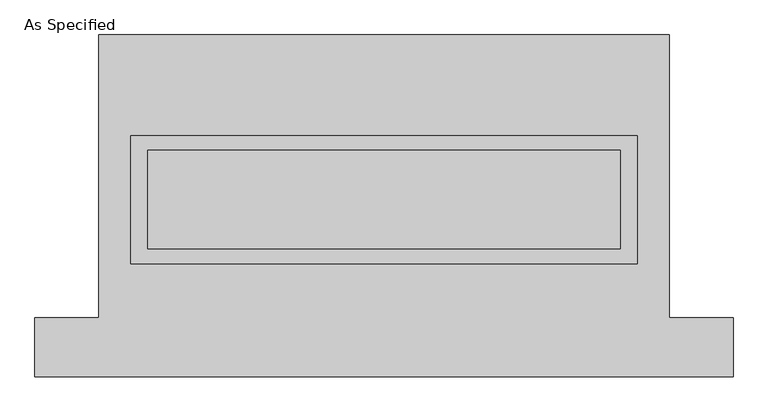
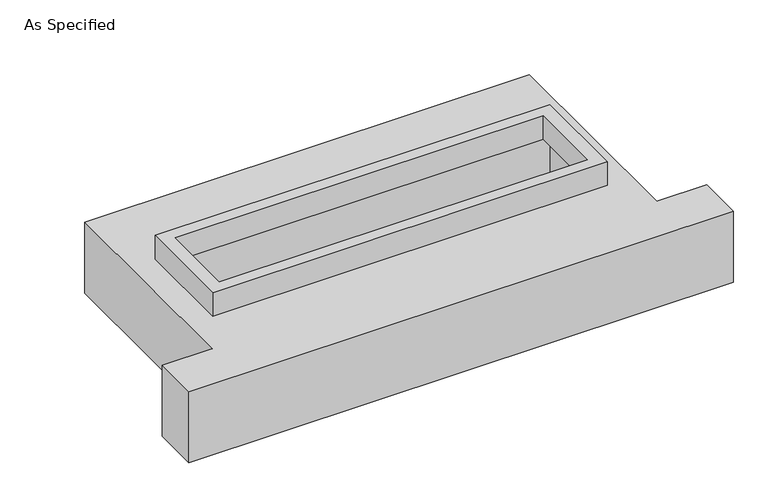
"""IFC4 building model written with IfcOpenShell, lengths in millimetres: proxy geometry, As Specified."""

import ifcopenshell
import ifcopenshell.guid

model = None  # the IFC model being written
_history = None  # IfcOwnerHistory: only IFC2X3 demands one
_inside = {}  # id of a spatial element -> (the spatial element, [elements in it])
_under = {}  # id of a project, library or spatial element -> (it, [spatial elements below it])
_declared = {}  # id of a project -> (the project, [libraries it declares])
_typed = {}  # id of a type object -> (the type object, [elements of that type])
_made_of = {}  # id of a material, layer set ... -> (it, [elements and type objects made of it])


def new_model(schema):
    """Start an empty IFC model of exactly this schema.

    Asked for "IFC4X3", IfcOpenShell would pick the latest addendum, in which some entities
    have other attributes; the version numbers below select the first issue.
    IFC2X3 requires an IfcOwnerHistory on every rooted entity: one is made here for all.
    """
    global model, _history
    if schema == "IFC4X3":
        model = ifcopenshell.file(schema_version=(4, 3, 0, 0))
    else:
        model = ifcopenshell.file(schema=schema)
    _inside.clear()
    _under.clear()
    _declared.clear()
    _typed.clear()
    _made_of.clear()
    _history = None
    if model.schema == "IFC2X3":
        org = make("IfcOrganization", Name="unknown")
        user = make(
            "IfcPersonAndOrganization",
            ThePerson=make("IfcPerson", FamilyName="unknown"),
            TheOrganization=org,
        )
        app = make(
            "IfcApplication",
            ApplicationDeveloper=org,
            Version="unknown",
            ApplicationFullName="unknown",
            ApplicationIdentifier="unknown",
        )
        _history = make(
            "IfcOwnerHistory",
            OwningUser=user,
            OwningApplication=app,
            ChangeAction="ADDED",
            CreationDate=0,
        )
    return model


def make(cls, **values):
    """One entity of the class cls with the attributes given. An attribute that is None is left unset."""
    return model.create_entity(
        cls, **{name: value for name, value in values.items() if value is not None}
    )


def rooted(cls, **values):
    """An entity with a GlobalId (a new one), such as an element, a storey or a relation."""
    return make(cls, GlobalId=ifcopenshell.guid.new(), OwnerHistory=_history, **values)


def si_unit(unit_type, name, prefix=None):
    """IfcSIUnit, for example si_unit("LENGTHUNIT", "METRE", prefix="MILLI")."""
    return make("IfcSIUnit", UnitType=unit_type, Prefix=prefix, Name=name)


def assignment(units):
    """IfcUnitAssignment: the units of a project."""
    return None if units is None else make("IfcUnitAssignment", Units=units)


def point(xyz):
    """IfcCartesianPoint."""
    return None if xyz is None else make("IfcCartesianPoint", Coordinates=xyz)


def direction(xyz):
    """IfcDirection."""
    return None if xyz is None else make("IfcDirection", DirectionRatios=xyz)


def frame(location, z_axis=None, x_axis=None):
    """IfcAxis2Placement3D, a coordinate frame: its origin and axes. An axis left out is left unset."""
    return make(
        "IfcAxis2Placement3D",
        Location=point(location),
        Axis=direction(z_axis),
        RefDirection=direction(x_axis),
    )


def origin():
    """The frame at (0, 0, 0) with its axes left unset."""
    return frame((0.0, 0.0, 0.0))


def place(relative_to, where):
    """IfcLocalPlacement: puts the frame where relative to a parent placement (None: the world)."""
    return make(
        "IfcLocalPlacement", PlacementRelTo=relative_to, RelativePlacement=where
    )


def context(
    kind, dimensions, precision=None, world=None, true_north=None, identifier=None
):
    """IfcGeometricRepresentationContext, for example the 3D "Model" context."""
    return make(
        "IfcGeometricRepresentationContext",
        ContextIdentifier=identifier,
        ContextType=kind,
        CoordinateSpaceDimension=dimensions,
        Precision=precision,
        WorldCoordinateSystem=world,
        TrueNorth=true_north,
    )


def project(units=None, contexts=None):
    """IfcProject with its units and contexts."""
    return rooted(
        "IfcProject",
        Name="project",
        RepresentationContexts=contexts,
        UnitsInContext=assignment(units),
    )


def spatial(cls, under=None, at=None, **own):
    """A site, building, storey or space (cls), placed at a placement, below another one or the project."""
    s = rooted(cls, ObjectPlacement=at, **own)
    if under is not None:
        _under.setdefault(under.id(), (under, []))[1].append(s)
    return s


def polyline(points):
    """IfcPolyline through the points."""
    return make("IfcPolyline", Points=[point(p) for p in points])


def outline(outer, holes=None, kind="AREA"):
    """IfcArbitraryClosedProfileDef: a profile drawn as a closed curve; with holes, ...WithVoids."""
    if holes is None:
        return make("IfcArbitraryClosedProfileDef", ProfileType=kind, OuterCurve=outer)
    return make(
        "IfcArbitraryProfileDefWithVoids",
        ProfileType=kind,
        OuterCurve=outer,
        InnerCurves=holes,
    )


def extrude(swept, where, along, depth):
    """IfcExtrudedAreaSolid: the profile swept, set in the frame where, extruded along a direction by depth."""
    return make(
        "IfcExtrudedAreaSolid",
        SweptArea=swept,
        Position=where,
        ExtrudedDirection=direction(along),
        Depth=depth,
    )


def faces_of(points, faces, orient=None, outer=None):
    """IfcFace entities. A face is a list of loops; a loop is a list of indices into points, from 0.

    orient and outer hold one flag for each loop. By default every Orientation is true, the
    first loop of a face is its IfcFaceOuterBound and the others are IfcFaceBound.
    """
    made = []
    for i, loops in enumerate(faces):
        bounds = []
        for j, loop in enumerate(loops):
            is_outer = j == 0 if outer is None else outer[i][j]
            bounds.append(
                make(
                    "IfcFaceOuterBound" if is_outer else "IfcFaceBound",
                    Bound=make("IfcPolyLoop", Polygon=[points[k] for k in loop]),
                    Orientation=True if orient is None else orient[i][j],
                )
            )
        made.append(make("IfcFace", Bounds=bounds))
    return made


def faceted_brep(points, faces, orient=None, outer=None, voids=None):
    """IfcFacetedBrep: a solid bounded by flat faces; with voids (closed shells), ...WithVoids."""
    shared = [point(p) for p in points]
    hull = make("IfcClosedShell", CfsFaces=faces_of(shared, faces, orient, outer))
    if voids is None:
        return make("IfcFacetedBrep", Outer=hull)
    return make(
        "IfcFacetedBrepWithVoids",
        Outer=hull,
        Voids=[
            make(cls, CfsFaces=faces_of(shared, fs, o, b)) for cls, fs, o, b in voids
        ],
    )


def shape(context_of_items, identifier, shape_type, items):
    """IfcShapeRepresentation: the items that make up one representation, for example the "Body"."""
    return make(
        "IfcShapeRepresentation",
        ContextOfItems=context_of_items,
        RepresentationIdentifier=identifier,
        RepresentationType=shape_type,
        Items=items,
    )


def source(mapping_origin, context_of_items, identifier, shape_type, items):
    """IfcRepresentationMap: a shape defined once, which mapped items show again and again."""
    return make(
        "IfcRepresentationMap",
        MappingOrigin=mapping_origin,
        MappedRepresentation=shape(context_of_items, identifier, shape_type, items),
    )


def transform(
    local_origin,
    x_axis=None,
    y_axis=None,
    z_axis=None,
    scale=None,
    scale2=None,
    scale3=None,
    uniform=True,
):
    """IfcCartesianTransformationOperator3D, or its non-uniform kind. x_axis, y_axis, z_axis: its Axis1, 2, 3."""
    if uniform:
        return make(
            "IfcCartesianTransformationOperator3D",
            Axis1=direction(x_axis),
            Axis2=direction(y_axis),
            LocalOrigin=point(local_origin),
            Scale=scale,
            Axis3=direction(z_axis),
        )
    return make(
        "IfcCartesianTransformationOperator3DnonUniform",
        Axis1=direction(x_axis),
        Axis2=direction(y_axis),
        LocalOrigin=point(local_origin),
        Scale=scale,
        Axis3=direction(z_axis),
        Scale2=scale2,
        Scale3=scale3,
    )


def mapped(mapping_source, mapping_target):
    """IfcMappedItem: shows the shape of a source again, moved by a transform."""
    return make(
        "IfcMappedItem", MappingSource=mapping_source, MappingTarget=mapping_target
    )


def made_of(thing, what):
    """Note that an element or type object is made of a material, layer set ...; save() writes the relation."""
    if what is not None:
        _made_of.setdefault(what.id(), (what, []))[1].append(thing)
    return thing


def element(
    cls,
    number,
    at=None,
    inside=None,
    cuts=None,
    type_object=None,
    material=None,
    context=None,
    identifier="Body",
    shape_type=None,
    held_by="IfcProductDefinitionShape",
    body=None,
    shapes=None,
    **own,
):
    """One element of the class cls, such as IfcWall. Its Tag is "e" and its number.

    at: its placement. inside: the storey or other place that contains it. cuts: it is an
    opening in that element (IfcRelVoidsElement). A single representation is given by context,
    identifier, shape_type and body (its items); several are given by shapes. held_by: the class
    of the entity that holds the representations. save() writes the other relations.
    """
    e = rooted(cls, Tag="e%d" % number, ObjectPlacement=at, **own)
    if body is not None:
        shapes = [shape(context, identifier, shape_type, body)]
    if shapes is not None:
        e.Representation = make(held_by, Representations=shapes)
    if inside is not None:
        _inside.setdefault(inside.id(), (inside, []))[1].append(e)
    if cuts is not None:
        rooted(
            "IfcRelVoidsElement", RelatingBuildingElement=cuts, RelatedOpeningElement=e
        )
    if type_object is not None:
        _typed.setdefault(type_object.id(), (type_object, []))[1].append(e)
    return made_of(e, material)


def aggregate(whole, parts):
    """IfcRelAggregates: a whole, such as a stair, and the parts it consists of."""
    return rooted("IfcRelAggregates", RelatingObject=whole, RelatedObjects=parts)


def save(model, path):
    """Write the relations noted so far, then the file.

    IfcRelAggregates (storeys below a building ...), IfcRelContainedInSpatialStructure (elements
    in a storey), IfcRelDefinesByType, IfcRelAssociatesMaterial and IfcRelDeclares: one each for
    every whole, place, type object, material and project.
    """
    for whole, parts in _under.values():
        aggregate(whole, parts)
    for where, things in _inside.values():
        rooted(
            "IfcRelContainedInSpatialStructure",
            RelatedElements=things,
            RelatingStructure=where,
        )
    for kind, things in _typed.values():
        rooted("IfcRelDefinesByType", RelatedObjects=things, RelatingType=kind)
    for what, things in _made_of.values():
        rooted("IfcRelAssociatesMaterial", RelatedObjects=things, RelatingMaterial=what)
    for by, libraries in _declared.values():
        rooted("IfcRelDeclares", RelatingContext=by, RelatedDefinitions=libraries)
    model.write(path)


def as_specified_0ed8ef95(model_context):
    return source(origin(), model_context, "Body", "SolidModel", [
        extrude(outline(polyline([(1308.1, 361.95), (1308.1, -298.45), (-1308.1, -298.45), (-1308.1, 361.95), (1308.1, 361.95)]), holes=[polyline([(1219.2, 285.75), (-1219.2, 285.75), (-1219.2, -222.25), (1219.2, -222.25), (1219.2, 285.75)])]), frame((0.0, 0.0, -25.4), z_axis=(0.0, 0.0, 1.0), x_axis=(1.0, 0.0, 0.0)), (0.0, 0.0, 1.0), 165.1),
        faceted_brep([(-1473.2, 882.65, -523.875), (1473.2, 882.65, -523.875), (1473.2, -577.85, -523.875), (1803.4, -577.85, -523.875), (1803.4, -882.65, -523.875), (-1803.4, -882.65, -523.875), (-1803.4, -577.85, -523.875), (-1473.2, -577.85, -523.875), (1473.2, 882.65, -25.4), (-1473.2, 882.65, -25.4), (-1473.2, -577.85, -25.4), (-1803.4, -577.85, -25.4), (-1803.4, -882.65, -25.4), (1803.4, -882.65, -25.4), (1803.4, -577.85, -25.4), (1473.2, -577.85, -25.4), (-1308.1, -298.45, -25.4), (-1308.1, 361.95, -25.4), (1308.1, 361.95, -25.4), (1308.1, -298.45, -25.4), (1308.1, 361.95, -498.475), (-1308.1, 361.95, -498.475), (-1308.1, -298.45, -498.475), (1308.1, -298.45, -498.475)], [[[0, 1, 2, 3, 4, 5, 6, 7]], [[8, 9, 10, 11, 12, 13, 14, 15], [16, 17, 18, 19]], [[1, 0, 9, 8]], [[9, 0, 7, 10]], [[1, 8, 15, 2]], [[20, 21, 22, 23]], [[22, 21, 17, 16]], [[21, 20, 18, 17]], [[20, 23, 19, 18]], [[23, 22, 16, 19]], [[5, 4, 13, 12]], [[3, 2, 15, 14]], [[4, 3, 14, 13]], [[7, 6, 11, 10]], [[6, 5, 12, 11]]]),
    ])


if __name__ == "__main__":
    model = new_model("IFC4")
    model_context = context("Model", 3, world=origin())
    ifc_project = project(units=[si_unit("LENGTHUNIT", "METRE", prefix="MILLI")], contexts=[model_context])
    site = spatial("IfcSite", under=ifc_project)
    building = spatial("IfcBuilding", under=site)
    placement = place(None, origin())
    as_specified_shape = as_specified_0ed8ef95(model_context)
    element("IfcBuildingElementProxy", 1, Name="As Specified", ObjectType="As Specified", at=placement, inside=building, context=model_context, shape_type="MappedRepresentation", body=[
        mapped(as_specified_shape, transform((0.0, 0.0, 0.0), x_axis=(1.0, 0.0, 0.0), y_axis=(0.0, 1.0, 0.0), z_axis=(0.0, 0.0, 1.0))),
    ])
    save(model, "model.ifc")
